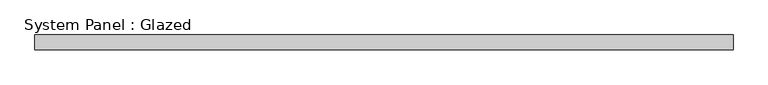
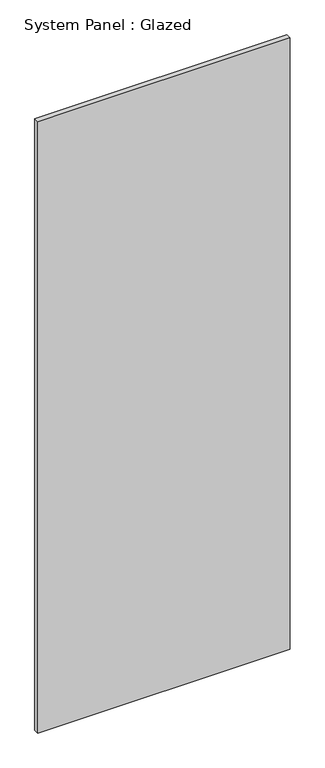
"""IFC4 building model written with IfcOpenShell, lengths in millimetres: plate geometry, System Panel : Glazed."""

from ifc_helpers import new_model, si_unit, origin, origin_with_axes, place, context, project, spatial, polyline, outline, extrude, source, transform, mapped, element, save


def system_panel_glazed_ea97015d(model_context):
    return source(origin(), model_context, "Body", "SweptSolid", [
        extrude(outline(polyline([(600.0, 19.05), (-600.0, 19.05), (-600.0, 44.45), (600.0, 44.45), (600.0, 19.05)])), origin_with_axes(), (0.0, 0.0, 1.0), 3073.0),
    ])


if __name__ == "__main__":
    model = new_model("IFC4")
    model_context = context("Model", 3, world=origin())
    ifc_project = project(units=[si_unit("LENGTHUNIT", "METRE", prefix="MILLI")], contexts=[model_context])
    site = spatial("IfcSite", under=ifc_project)
    building = spatial("IfcBuilding", under=site)
    placement = place(None, origin())
    system_panel_glazed_shape = system_panel_glazed_ea97015d(model_context)
    element("IfcPlate", 1, ObjectType="System Panel : Glazed", at=placement, inside=building, context=model_context, shape_type="MappedRepresentation", body=[
        mapped(system_panel_glazed_shape, transform((0.0, 0.0, 0.0), x_axis=(1.0, 0.0, 0.0), y_axis=(0.0, 1.0, 0.0), z_axis=(0.0, 0.0, 1.0))),
    ])
    save(model, "model.ifc")
